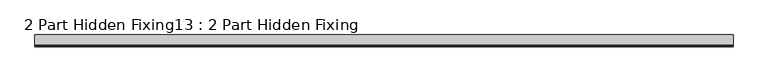
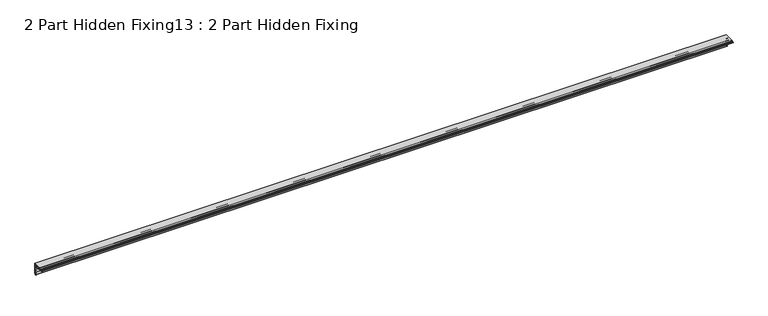
"""IFC4 building model written with IfcOpenShell, lengths in millimetres: proxy geometry, 2 Part Hidden Fixing13 : 2 Part Hidden Fixing."""

import ifcopenshell
import ifcopenshell.guid

model = None  # the IFC model being written
_history = None  # IfcOwnerHistory: only IFC2X3 demands one
_inside = {}  # id of a spatial element -> (the spatial element, [elements in it])
_under = {}  # id of a project, library or spatial element -> (it, [spatial elements below it])
_declared = {}  # id of a project -> (the project, [libraries it declares])
_typed = {}  # id of a type object -> (the type object, [elements of that type])
_made_of = {}  # id of a material, layer set ... -> (it, [elements and type objects made of it])


def new_model(schema):
    """Start an empty IFC model of exactly this schema.

    Asked for "IFC4X3", IfcOpenShell would pick the latest addendum, in which some entities
    have other attributes; the version numbers below select the first issue.
    IFC2X3 requires an IfcOwnerHistory on every rooted entity: one is made here for all.
    """
    global model, _history
    if schema == "IFC4X3":
        model = ifcopenshell.file(schema_version=(4, 3, 0, 0))
    else:
        model = ifcopenshell.file(schema=schema)
    _inside.clear()
    _under.clear()
    _declared.clear()
    _typed.clear()
    _made_of.clear()
    _history = None
    if model.schema == "IFC2X3":
        org = make("IfcOrganization", Name="unknown")
        user = make(
            "IfcPersonAndOrganization",
            ThePerson=make("IfcPerson", FamilyName="unknown"),
            TheOrganization=org,
        )
        app = make(
            "IfcApplication",
            ApplicationDeveloper=org,
            Version="unknown",
            ApplicationFullName="unknown",
            ApplicationIdentifier="unknown",
        )
        _history = make(
            "IfcOwnerHistory",
            OwningUser=user,
            OwningApplication=app,
            ChangeAction="ADDED",
            CreationDate=0,
        )
    return model


def make(cls, **values):
    """One entity of the class cls with the attributes given. An attribute that is None is left unset."""
    return model.create_entity(
        cls, **{name: value for name, value in values.items() if value is not None}
    )


def rooted(cls, **values):
    """An entity with a GlobalId (a new one), such as an element, a storey or a relation."""
    return make(cls, GlobalId=ifcopenshell.guid.new(), OwnerHistory=_history, **values)


def si_unit(unit_type, name, prefix=None):
    """IfcSIUnit, for example si_unit("LENGTHUNIT", "METRE", prefix="MILLI")."""
    return make("IfcSIUnit", UnitType=unit_type, Prefix=prefix, Name=name)


def assignment(units):
    """IfcUnitAssignment: the units of a project."""
    return None if units is None else make("IfcUnitAssignment", Units=units)


def point(xyz):
    """IfcCartesianPoint."""
    return None if xyz is None else make("IfcCartesianPoint", Coordinates=xyz)


def direction(xyz):
    """IfcDirection."""
    return None if xyz is None else make("IfcDirection", DirectionRatios=xyz)


def frame(location, z_axis=None, x_axis=None):
    """IfcAxis2Placement3D, a coordinate frame: its origin and axes. An axis left out is left unset."""
    return make(
        "IfcAxis2Placement3D",
        Location=point(location),
        Axis=direction(z_axis),
        RefDirection=direction(x_axis),
    )


def frame_2d(location, x_axis=None):
    """IfcAxis2Placement2D, a coordinate frame in the plane: its origin and x axis."""
    return make(
        "IfcAxis2Placement2D", Location=point(location), RefDirection=direction(x_axis)
    )


def origin():
    """The frame at (0, 0, 0) with its axes left unset."""
    return frame((0.0, 0.0, 0.0))


def place(relative_to, where):
    """IfcLocalPlacement: puts the frame where relative to a parent placement (None: the world)."""
    return make(
        "IfcLocalPlacement", PlacementRelTo=relative_to, RelativePlacement=where
    )


def context(
    kind, dimensions, precision=None, world=None, true_north=None, identifier=None
):
    """IfcGeometricRepresentationContext, for example the 3D "Model" context."""
    return make(
        "IfcGeometricRepresentationContext",
        ContextIdentifier=identifier,
        ContextType=kind,
        CoordinateSpaceDimension=dimensions,
        Precision=precision,
        WorldCoordinateSystem=world,
        TrueNorth=true_north,
    )


def project(units=None, contexts=None):
    """IfcProject with its units and contexts."""
    return rooted(
        "IfcProject",
        Name="project",
        RepresentationContexts=contexts,
        UnitsInContext=assignment(units),
    )


def spatial(cls, under=None, at=None, **own):
    """A site, building, storey or space (cls), placed at a placement, below another one or the project."""
    s = rooted(cls, ObjectPlacement=at, **own)
    if under is not None:
        _under.setdefault(under.id(), (under, []))[1].append(s)
    return s


def polyline(points):
    """IfcPolyline through the points."""
    return make("IfcPolyline", Points=[point(p) for p in points])


def circle_curve(where, radius):
    """IfcCircle in the frame where."""
    return make("IfcCircle", Position=where, Radius=radius)


def trimmed(basis, trim1, trim2, sense, master):
    """IfcTrimmedCurve: the piece of a basis curve between two trims."""
    return make(
        "IfcTrimmedCurve",
        BasisCurve=basis,
        Trim1=trim1,
        Trim2=trim2,
        SenseAgreement=sense,
        MasterRepresentation=master,
    )


def segment(curve, same_sense, transition):
    """IfcCompositeCurveSegment."""
    return make(
        "IfcCompositeCurveSegment",
        Transition=transition,
        SameSense=same_sense,
        ParentCurve=curve,
    )


def composite_curve(segments, self_intersect=None):
    """IfcCompositeCurve: segments joined end to end."""
    return make("IfcCompositeCurve", Segments=segments, SelfIntersect=self_intersect)


def outline(outer, holes=None, kind="AREA"):
    """IfcArbitraryClosedProfileDef: a profile drawn as a closed curve; with holes, ...WithVoids."""
    if holes is None:
        return make("IfcArbitraryClosedProfileDef", ProfileType=kind, OuterCurve=outer)
    return make(
        "IfcArbitraryProfileDefWithVoids",
        ProfileType=kind,
        OuterCurve=outer,
        InnerCurves=holes,
    )


def extrude(swept, where, along, depth):
    """IfcExtrudedAreaSolid: the profile swept, set in the frame where, extruded along a direction by depth."""
    return make(
        "IfcExtrudedAreaSolid",
        SweptArea=swept,
        Position=where,
        ExtrudedDirection=direction(along),
        Depth=depth,
    )


def shape(context_of_items, identifier, shape_type, items):
    """IfcShapeRepresentation: the items that make up one representation, for example the "Body"."""
    return make(
        "IfcShapeRepresentation",
        ContextOfItems=context_of_items,
        RepresentationIdentifier=identifier,
        RepresentationType=shape_type,
        Items=items,
    )


def source(mapping_origin, context_of_items, identifier, shape_type, items):
    """IfcRepresentationMap: a shape defined once, which mapped items show again and again."""
    return make(
        "IfcRepresentationMap",
        MappingOrigin=mapping_origin,
        MappedRepresentation=shape(context_of_items, identifier, shape_type, items),
    )


def transform(
    local_origin,
    x_axis=None,
    y_axis=None,
    z_axis=None,
    scale=None,
    scale2=None,
    scale3=None,
    uniform=True,
):
    """IfcCartesianTransformationOperator3D, or its non-uniform kind. x_axis, y_axis, z_axis: its Axis1, 2, 3."""
    if uniform:
        return make(
            "IfcCartesianTransformationOperator3D",
            Axis1=direction(x_axis),
            Axis2=direction(y_axis),
            LocalOrigin=point(local_origin),
            Scale=scale,
            Axis3=direction(z_axis),
        )
    return make(
        "IfcCartesianTransformationOperator3DnonUniform",
        Axis1=direction(x_axis),
        Axis2=direction(y_axis),
        LocalOrigin=point(local_origin),
        Scale=scale,
        Axis3=direction(z_axis),
        Scale2=scale2,
        Scale3=scale3,
    )


def mapped(mapping_source, mapping_target):
    """IfcMappedItem: shows the shape of a source again, moved by a transform."""
    return make(
        "IfcMappedItem", MappingSource=mapping_source, MappingTarget=mapping_target
    )


def made_of(thing, what):
    """Note that an element or type object is made of a material, layer set ...; save() writes the relation."""
    if what is not None:
        _made_of.setdefault(what.id(), (what, []))[1].append(thing)
    return thing


def element(
    cls,
    number,
    at=None,
    inside=None,
    cuts=None,
    type_object=None,
    material=None,
    context=None,
    identifier="Body",
    shape_type=None,
    held_by="IfcProductDefinitionShape",
    body=None,
    shapes=None,
    **own,
):
    """One element of the class cls, such as IfcWall. Its Tag is "e" and its number.

    at: its placement. inside: the storey or other place that contains it. cuts: it is an
    opening in that element (IfcRelVoidsElement). A single representation is given by context,
    identifier, shape_type and body (its items); several are given by shapes. held_by: the class
    of the entity that holds the representations. save() writes the other relations.
    """
    e = rooted(cls, Tag="e%d" % number, ObjectPlacement=at, **own)
    if body is not None:
        shapes = [shape(context, identifier, shape_type, body)]
    if shapes is not None:
        e.Representation = make(held_by, Representations=shapes)
    if inside is not None:
        _inside.setdefault(inside.id(), (inside, []))[1].append(e)
    if cuts is not None:
        rooted(
            "IfcRelVoidsElement", RelatingBuildingElement=cuts, RelatedOpeningElement=e
        )
    if type_object is not None:
        _typed.setdefault(type_object.id(), (type_object, []))[1].append(e)
    return made_of(e, material)


def aggregate(whole, parts):
    """IfcRelAggregates: a whole, such as a stair, and the parts it consists of."""
    return rooted("IfcRelAggregates", RelatingObject=whole, RelatedObjects=parts)


def save(model, path):
    """Write the relations noted so far, then the file.

    IfcRelAggregates (storeys below a building ...), IfcRelContainedInSpatialStructure (elements
    in a storey), IfcRelDefinesByType, IfcRelAssociatesMaterial and IfcRelDeclares: one each for
    every whole, place, type object, material and project.
    """
    for whole, parts in _under.values():
        aggregate(whole, parts)
    for where, things in _inside.values():
        rooted(
            "IfcRelContainedInSpatialStructure",
            RelatedElements=things,
            RelatingStructure=where,
        )
    for kind, things in _typed.values():
        rooted("IfcRelDefinesByType", RelatedObjects=things, RelatingType=kind)
    for what, things in _made_of.values():
        rooted("IfcRelAssociatesMaterial", RelatedObjects=things, RelatingMaterial=what)
    for by, libraries in _declared.values():
        rooted("IfcRelDeclares", RelatingContext=by, RelatedDefinitions=libraries)
    model.write(path)


def proxy_2_part_hidden_fixing13_2_part_hidden_fixing_ebba7695(model_context):
    return source(origin(), model_context, "Body", "SweptSolid", [
        extrude(outline(composite_curve([segment(trimmed(circle_curve(frame_2d((-10434.5651485, 1396.1887139)), 25.0), [point((-10409.5651485, 1396.1887139))], [point((-10434.5651485, 1421.1887139))], True, "CARTESIAN"), True, "CONTINUOUS"), segment(polyline([(-10434.5651485, 1421.1887139), (-10442.6151485, 1421.1887139)]), True, "CONTINUOUS"), segment(trimmed(circle_curve(frame_2d((-10442.6151485, 1423.2293979)), 2.040684), [point((-10442.6151485, 1421.1887139))], [point((-10444.5934897, 1423.729955))], False, "CARTESIAN"), True, "CONTINUOUS"), segment(trimmed(circle_curve(frame_2d((-10443.7025104, 1423.5045207)), 0.9190564), [point((-10444.5934897, 1423.729955))], [point((-10442.7837852, 1423.5291901))], False, "CARTESIAN"), True, "CONTINUOUS"), segment(trimmed(circle_curve(frame_2d((-10441.9018274, 1423.5528723)), 0.8822757), [point((-10442.7837852, 1423.5291901))], [point((-10441.0195651, 1423.5577279))], True, "CARTESIAN"), True, "CONTINUOUS"), segment(polyline([(-10441.0195651, 1423.5577279), (-10441.0151461, 1425.3406967)]), True, "CONTINUOUS"), segment(trimmed(circle_curve(frame_2d((-10439.7601329, 1425.187691)), 1.2643057), [point((-10441.0151461, 1425.3406967))], [point((-10439.3651485, 1426.3887139))], False, "CARTESIAN"), True, "CONTINUOUS"), segment(polyline([(-10439.3651485, 1426.3887139), (-10404.3651485, 1426.3887139), (-10404.3651485, 1391.3887139)]), True, "CONTINUOUS"), segment(trimmed(circle_curve(frame_2d((-10405.5661715, 1390.9937296)), 1.2643057), [point((-10404.3651485, 1391.3887139))], [point((-10405.4131658, 1389.7387164))], False, "CARTESIAN"), True, "CONTINUOUS"), segment(polyline([(-10405.4131658, 1389.7387164), (-10407.1961345, 1389.7342974)]), True, "CONTINUOUS"), segment(trimmed(circle_curve(frame_2d((-10407.2009902, 1388.8520351)), 0.8822757), [point((-10407.1961345, 1389.7342974))], [point((-10407.2246723, 1387.9700773))], True, "CARTESIAN"), True, "CONTINUOUS"), segment(trimmed(circle_curve(frame_2d((-10407.2493418, 1387.051352)), 0.9190564), [point((-10407.2246723, 1387.9700773))], [point((-10407.0239075, 1386.1603728))], False, "CARTESIAN"), True, "CONTINUOUS"), segment(trimmed(circle_curve(frame_2d((-10407.5244645, 1388.1387139)), 2.040684), [point((-10407.0239075, 1386.1603728))], [point((-10409.5651485, 1388.1387139))], False, "CARTESIAN"), True, "CONTINUOUS"), segment(polyline([(-10409.5651485, 1388.1387139), (-10409.5651485, 1396.1887139)]), True, "CONTINUOUS")], self_intersect=False), holes=[composite_curve([segment(polyline([(-10415.2038197, 1414.1358292), (-10408.7457163, 1420.5939326), (-10406.5651485, 1420.5939326), (-10406.5651485, 1424.1887139), (-10410.1599299, 1424.1887139), (-10410.1599299, 1422.0081462), (-10416.6180333, 1415.5500428)]), True, "CONTINUOUS"), segment(trimmed(circle_curve(frame_2d((-10434.5651485, 1396.1887139)), 26.4), [point((-10416.6180333, 1415.5500428))], [point((-10415.2038197, 1414.1358292))], False, "CARTESIAN"), True, "CONTINUOUS")], self_intersect=False), composite_curve([segment(trimmed(circle_curve(frame_2d((-10407.196956, 1392.5633798)), 0.9753373), [point((-10408.1651485, 1392.6812187))], [point((-10406.5651485, 1393.3064156))], True, "CARTESIAN"), True, "CONTINUOUS"), segment(polyline([(-10406.5651485, 1393.3064156), (-10406.5651485, 1417.4080551), (-10408.8607059, 1415.8120383)]), True, "CONTINUOUS"), segment(trimmed(circle_curve(frame_2d((-10409.3537049, 1416.5211208)), 0.8636238), [point((-10408.8607059, 1415.8120383))], [point((-10410.0627874, 1417.0141198))], False, "CARTESIAN"), True, "CONTINUOUS"), segment(polyline([(-10410.0627874, 1417.0141198), (-10414.1498036, 1412.9271036)]), True, "CONTINUOUS"), segment(trimmed(circle_curve(frame_2d((-10434.5651485, 1396.1887139)), 26.4), [point((-10414.1498036, 1412.9271036))], [point((-10408.3355226, 1399.1831626))], False, "CARTESIAN"), True, "CONTINUOUS"), segment(trimmed(circle_curve(frame_2d((-10414.2983477, 1393.998872)), 7.901402), [point((-10408.3355226, 1399.1831626))], [point((-10407.3651485, 1397.7887139))], False, "CARTESIAN"), True, "CONTINUOUS"), segment(trimmed(circle_curve(frame_2d((-10408.5985261, 1397.1145222)), 1.4056154), [point((-10407.3651485, 1397.7887139))], [point((-10407.5820421, 1396.14369))], False, "CARTESIAN"), True, "CONTINUOUS"), segment(trimmed(circle_curve(frame_2d((-10406.0588594, 1394.6889157)), 2.1062891), [point((-10407.5820421, 1396.14369))], [point((-10408.1651485, 1394.6889157))], True, "CARTESIAN"), True, "CONTINUOUS"), segment(polyline([(-10408.1651485, 1394.6889157), (-10408.1651485, 1392.6812187)]), True, "CONTINUOUS")], self_intersect=False), composite_curve([segment(polyline([(-10417.8267588, 1416.6040589), (-10413.7397427, 1420.6910751)]), True, "CONTINUOUS"), segment(trimmed(circle_curve(frame_2d((-10414.2327417, 1421.4001575)), 0.8636238), [point((-10413.7397427, 1420.6910751))], [point((-10414.9418242, 1421.8931566))], False, "CARTESIAN"), True, "CONTINUOUS"), segment(polyline([(-10414.9418242, 1421.8931566), (-10413.3458073, 1424.1887139), (-10437.4474469, 1424.1887139)]), True, "CONTINUOUS"), segment(trimmed(circle_curve(frame_2d((-10438.1904827, 1423.5569065)), 0.9753373), [point((-10437.4474469, 1424.1887139))], [point((-10438.0726437, 1422.5887139))], True, "CARTESIAN"), True, "CONTINUOUS"), segment(polyline([(-10438.0726437, 1422.5887139), (-10436.0649468, 1422.5887139)]), True, "CONTINUOUS"), segment(trimmed(circle_curve(frame_2d((-10436.0649468, 1424.695003)), 2.1062891), [point((-10436.0649468, 1422.5887139))], [point((-10434.6101725, 1423.1718204))], True, "CARTESIAN"), True, "CONTINUOUS"), segment(trimmed(circle_curve(frame_2d((-10433.6393403, 1422.1553364)), 1.4056154), [point((-10434.6101725, 1423.1718204))], [point((-10432.9651485, 1423.3887139))], False, "CARTESIAN"), True, "CONTINUOUS"), segment(trimmed(circle_curve(frame_2d((-10436.7549905, 1416.4555147)), 7.901402), [point((-10432.9651485, 1423.3887139))], [point((-10431.5706998, 1422.4183399))], False, "CARTESIAN"), True, "CONTINUOUS"), segment(trimmed(circle_curve(frame_2d((-10434.5651485, 1396.1887139)), 26.4), [point((-10431.5706998, 1422.4183399))], [point((-10417.8267588, 1416.6040589))], False, "CARTESIAN"), True, "CONTINUOUS")], self_intersect=False)]), frame((-2519.6640929, 0.0, 0.0), z_axis=(1.0, 0.0, 0.0), x_axis=(0.0, 1.0, 0.0)), (0.0, 0.0, 1.0), 2410.0),
    ])


if __name__ == "__main__":
    model = new_model("IFC4")
    model_context = context("Model", 3, world=origin())
    ifc_project = project(units=[si_unit("LENGTHUNIT", "METRE", prefix="MILLI")], contexts=[model_context])
    site = spatial("IfcSite", under=ifc_project)
    building = spatial("IfcBuilding", under=site)
    placement = place(None, origin())
    proxy_2_part_hidden_fixing13_2_part_hidden_fixing_shape = proxy_2_part_hidden_fixing13_2_part_hidden_fixing_ebba7695(model_context)
    element("IfcBuildingElementProxy", 1, Name="2 Part Hidden Fixing13 : 2 Part Hidden Fixing", ObjectType="2 Part Hidden Fixing13 : 2 Part Hidden Fixing", at=placement, inside=building, context=model_context, shape_type="MappedRepresentation", body=[
        mapped(proxy_2_part_hidden_fixing13_2_part_hidden_fixing_shape, transform((0.0, 0.0, 0.0), x_axis=(1.0, 0.0, 0.0), y_axis=(0.0, 1.0, 0.0), z_axis=(0.0, 0.0, 1.0))),
    ])
    save(model, "model.ifc")
